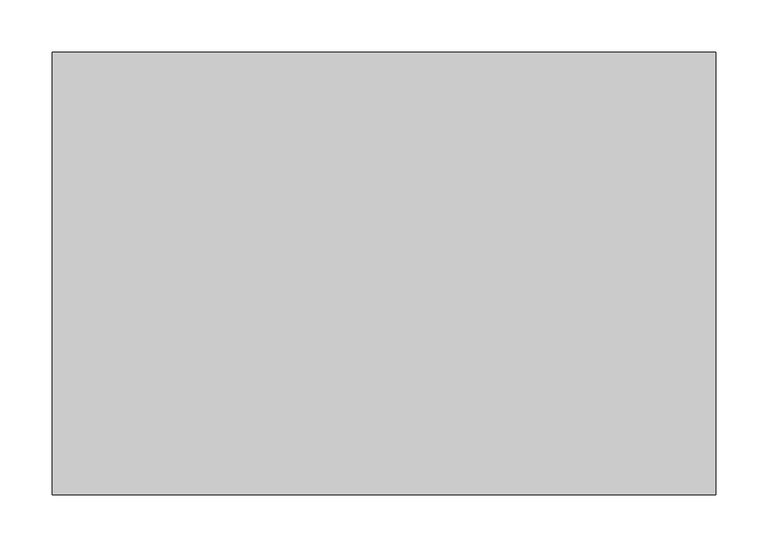
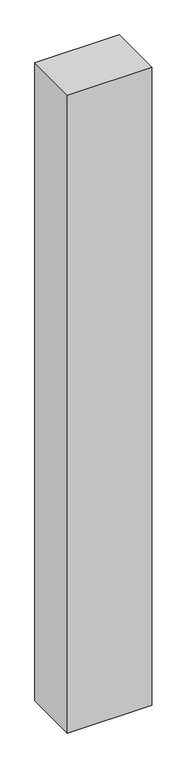
"""IFC4 building model written with IfcOpenShell, lengths in millimetres: proxy geometry."""

from ifc_helpers import new_model, si_unit, origin, origin_with_axes, place, context, project, spatial, polyline, outline, extrude, source, transform, mapped, element, save


def generic_models_a3aa9af9(model_context):
    return source(origin(), model_context, "Body", "SweptSolid", [
        extrude(outline(polyline([(637.5, 425.0), (637.5, 0.0), (0.0, 0.0), (0.0, 425.0), (637.5, 425.0)])), origin_with_axes(), (0.0, 0.0, 1.0), 5100.0),
    ])


if __name__ == "__main__":
    model = new_model("IFC4")
    model_context = context("Model", 3, world=origin())
    ifc_project = project(units=[si_unit("LENGTHUNIT", "METRE", prefix="MILLI")], contexts=[model_context])
    site = spatial("IfcSite", under=ifc_project)
    building = spatial("IfcBuilding", under=site)
    placement = place(None, origin())
    generic_models_shape = generic_models_a3aa9af9(model_context)
    element("IfcBuildingElementProxy", 1, Name="Generic Models", at=placement, inside=building, context=model_context, shape_type="MappedRepresentation", body=[
        mapped(generic_models_shape, transform((0.0, 0.0, 0.0), x_axis=(1.0, 0.0, 0.0), y_axis=(0.0, 1.0, 0.0), z_axis=(0.0, 0.0, 1.0))),
    ])
    save(model, "model.ifc")
